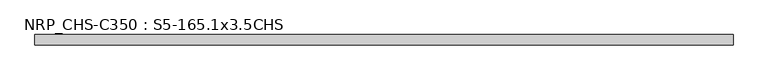
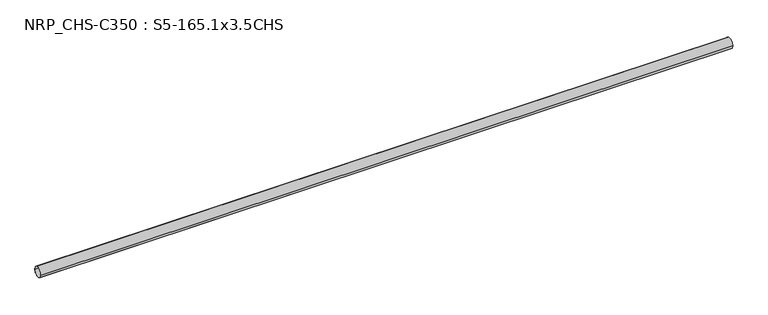
"""IFC4 building model written with IfcOpenShell, lengths in millimetres: beam geometry, NRP_CHS-C350 : S5-165.1x3.5CHS."""

from ifc_helpers import new_model, si_unit, point, frame, origin, origin_2d, place, context, project, spatial, circle_curve, trimmed, segment, composite_curve, outline, extrude, source, transform, mapped, element, save


def nrp_chs_c350_s5_165_1x3_5chs_f03d3af6(model_context):
    return source(origin(), model_context, "Body", "SweptSolid", [
        extrude(outline(composite_curve([segment(trimmed(circle_curve(origin_2d(), 82.55), [point((82.55, 0.0))], [point((-82.55, 0.0))], False, "CARTESIAN"), True, "CONTINUOUS"), segment(trimmed(circle_curve(origin_2d(), 82.55), [point((-82.55, 0.0))], [point((82.55, 0.0))], False, "CARTESIAN"), True, "CONTINUOUS")], self_intersect=False), holes=[composite_curve([segment(trimmed(circle_curve(origin_2d(), 79.05), [point((-79.05, 0.0))], [point((79.05, 0.0))], True, "CARTESIAN"), True, "CONTINUOUS"), segment(trimmed(circle_curve(origin_2d(), 79.05), [point((79.05, 0.0))], [point((-79.05, 0.0))], True, "CARTESIAN"), True, "CONTINUOUS")], self_intersect=False)]), frame((-5419.5, 0.0, 0.0), z_axis=(1.0, 0.0, 0.0), x_axis=(0.0, 1.0, 0.0)), (0.0, 0.0, 1.0), 10952.3),
    ])


if __name__ == "__main__":
    model = new_model("IFC4")
    model_context = context("Model", 3, world=origin())
    ifc_project = project(units=[si_unit("LENGTHUNIT", "METRE", prefix="MILLI")], contexts=[model_context])
    site = spatial("IfcSite", under=ifc_project)
    building = spatial("IfcBuilding", under=site)
    placement = place(None, origin())
    nrp_chs_c350_s5_165_1x3_5chs_shape = nrp_chs_c350_s5_165_1x3_5chs_f03d3af6(model_context)
    element("IfcBeam", 1, ObjectType="NRP_CHS-C350 : S5-165.1x3.5CHS", at=placement, inside=building, context=model_context, shape_type="MappedRepresentation", body=[
        mapped(nrp_chs_c350_s5_165_1x3_5chs_shape, transform((0.0, 0.0, 0.0), x_axis=(1.0, 0.0, 0.0), y_axis=(0.0, 1.0, 0.0), z_axis=(0.0, 0.0, 1.0))),
    ])
    save(model, "model.ifc")
